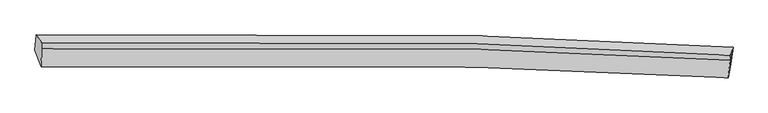
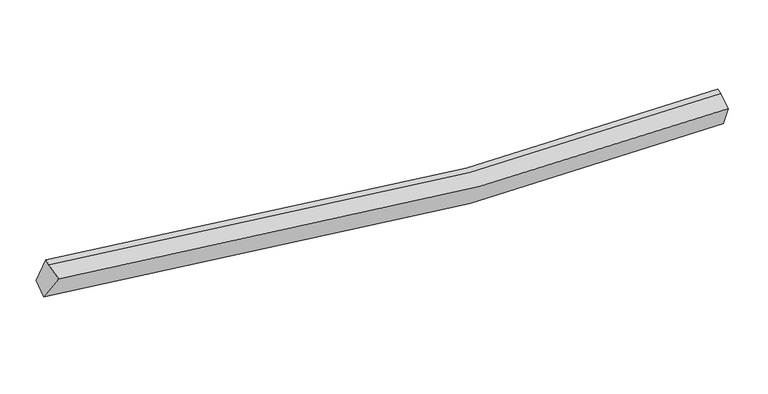
"""IFC4 building model written with IfcOpenShell, lengths in millimetres: proxy geometry."""

from ifc_helpers import new_model, si_unit, frame, origin, place, context, project, spatial, source, transform, mapped, element, save
from ifc_brep_helpers import plane_surface, spline_curve, spline_surface, advanced_brep


def generic_models_79c96d78(model_context):
    return source(origin(), model_context, "Body", "AdvancedBrep", [
        advanced_brep(
        [(-9221.4396227, -1985.7108059, 3427.7266185), (-9189.9753788, -1591.0039121, 3626.5553353), (8494.3625147, -1898.6440569, 2415.4975717), (8433.0636137, -2333.2439233, 2275.3913921), (-9064.2770105, -2396.6824764, 4119.6819635), (8370.0865737, -2679.2684828, 2925.4863161), (-9053.9124676, -1937.0325368, 4226.8478266), (8419.3194224, -2239.8584179, 3060.4326802), (-9048.4652292, -1793.7046245, 4270.7504135), (8424.4035116, -2106.0856997, 3101.4084279)],
        [
            (0, 1),
            (1, 2, spline_curve(3, [(-9189.9753788, -1591.0039121, 3626.5553353), (-5488.879366771, -1499.151177806, 2875.229411913), (-1765.261070588, -1506.727365631, 2437.953183504), (4144.527442009, -1675.535118056, 2243.555043626), (6315.688442605, -1770.505644931, 2277.145351274), (8494.3625147, -1898.6440569, 2415.4975717)], [4, 2, 4], [0.0, 36.92923982401898, 58.258357492953635])),
            (2, 3),
            (3, 0, spline_curve(3, [(8433.0636137, -2333.2439233, 2275.3913921), (6275.418683008, -2185.976306587, 2115.214206053), (4118.920787589, -2077.09761954, 2065.165634887), (-1768.205109369, -1884.561882834, 2229.268283121), (-5496.541626191, -1877.596195912, 2663.428595508), (-9221.4396227, -1985.7108059, 3427.7266185)], [4, 2, 4], [0.0, 21.329117668934657, 58.258357492953635])),
            (4, 0),
            (3, 5),
            (5, 4, spline_curve(3, [(8370.0865737, -2679.2684828, 2925.4863161), (6236.940403776, -2561.525266525, 2793.60416488), (4105.8076886, -2474.263529002, 2763.361761901), (-1709.669211034, -2319.173916036, 2958.376490601), (-5389.991023445, -2312.240317233, 3386.684108973), (-9064.2770105, -2396.6824764, 4119.6819635)], [4, 2, 4], [0.0, 21.17682565239452, 57.842387039762315])),
            (6, 4),
            (5, 7),
            (7, 6, spline_curve(3, [(8419.3194224, -2239.8584179, 3060.4326802), (6271.553426586, -2108.843911699, 2911.264218435), (4129.416771897, -2012.265363097, 2868.823023334), (-1706.239855136, -1842.529076778, 3044.414012211), (-5388.513831015, -1838.165664371, 3475.660257065), (-9053.9124676, -1937.0325368, 4226.8478266)], [4, 2, 4], [0.0, 21.066614440978768, 57.54135610852309])),
            (8, 6),
            (7, 9),
            (9, 8, spline_curve(3, [(8424.4035116, -2106.0856997, 3101.4084279), (6276.611919358, -1975.744690388, 2952.033668477), (4134.475264852, -1879.166142123, 2909.592473163), (-1701.111448592, -1707.590265307, 3085.746944372), (-5383.264374197, -1700.041789605, 3517.968801248), (-9048.4652292, -1793.7046245, 4270.7504135)], [4, 2, 4], [0.0, 21.09188422139514, 57.610377993259064])),
            (1, 8),
            (9, 2),
            (7, 2),
            (3, 7),
        ],
        [
            spline_surface(3, 3, [[(-9221.4396227, -1985.7108059, 3427.7266185), (-5496.541625799, -1877.596196373, 2663.428596115), (-1768.205109403, -1884.561882318, 2229.268282988), (4118.920787608, -2077.097619838, 2065.165634964), (6275.418683298, -2185.976306355, 2115.214205998), (8433.0636137, -2333.2439233, 2275.3913921)], [(-9210.951541395, -1854.141841314, 3494.00285743), (-5493.987539638, -1751.447856798, 2734.028868235), (-1767.223763045, -1758.61704339, 2298.829916502), (4127.45633902, -1943.243452579, 2124.628771148), (6288.841936409, -2047.486085939, 2169.191254435), (8453.496580692, -2188.377301184, 2322.093451972)], [(-9200.463460105, -1722.572876686, 3560.27909637), (-5491.433453493, -1625.29951718, 2804.629140364), (-1766.242416677, -1632.672204495, 2368.391550077), (4135.991890442, -1809.389285353, 2184.091907392), (6302.265189543, -1908.99586547, 2223.168302857), (8473.929547708, -2043.510679016, 2368.795511828)], [(-9189.9753788, -1591.0039121, 3626.5553353), (-5488.879367333, -1499.151177605, 2875.229412484), (-1765.261070319, -1506.727365566, 2437.953183591), (4144.527441854, -1675.535118093, 2243.555043576), (6315.688442653, -1770.505645053, 2277.145351293), (8494.3625147, -1898.6440569, 2415.4975717)]], [4, 4], [4, 2, 4], [0.0, 1.424346292488821], [0.0, 36.92923982401898, 58.258357492953635]),
            spline_surface(3, 3, [[(-9064.2770105, -2396.6824764, 4119.6819635), (-5389.991023332, -2312.240317691, 3386.684108995), (-1709.669210913, -2319.173915705, 2958.376490354), (4105.80768853, -2474.263529193, 2763.361762044), (6236.940404114, -2561.525266676, 2793.60416485), (8370.0865737, -2679.2684828, 2925.4863161)], [(-9116.664547895, -2259.691919551, 3889.030181865), (-5425.507890816, -2167.358943903, 3145.598938067), (-1729.181177092, -2174.303237929, 2715.34042124), (4110.17872154, -2341.874892761, 2530.629719692), (6249.766497173, -2436.342279905, 2567.474178561), (8391.078920364, -2563.926962969, 2708.788008095)], [(-9169.052085305, -2122.701362749, 3658.378400135), (-5461.024758315, -2022.477570161, 2904.513767043), (-1748.693143223, -2029.432560094, 2472.304352101), (4114.549754599, -2209.48625627, 2297.897677315), (6262.59259024, -2311.159293126, 2341.344192288), (8412.071267036, -2448.585443131, 2492.089700105)], [(-9221.4396227, -1985.7108059, 3427.7266185), (-5496.541625799, -1877.596196373, 2663.428596115), (-1768.205109403, -1884.561882318, 2229.268282988), (4118.920787608, -2077.097619838, 2065.165634964), (6275.418683298, -2185.976306355, 2115.214205998), (8433.0636137, -2333.2439233, 2275.3913921)]], [4, 4], [4, 2, 4], [0.0, 2.738613630415649], [0.0, 36.665561387367795, 57.842387039762315]),
            spline_surface(3, 3, [[(-9053.9124676, -1937.0325368, 4226.8478266), (-5388.513830778, -1838.165664227, 3475.660256774), (-1706.239855569, -1842.52907631, 3044.414012472), (4129.416772147, -2012.265363367, 2868.823023184), (6271.553426911, -2108.84391163, 2911.264218722), (8419.3194224, -2239.8584179, 3060.4326802)], [(-9057.367315234, -2090.249183338, 4191.125872208), (-5389.006228296, -1996.19054872, 3446.001540822), (-1707.382974006, -2001.410689431, 3015.734838443), (4121.547077619, -2166.264751965, 2833.669269481), (6260.015752663, -2259.737696625, 2872.044200774), (8402.90847285, -2386.328439512, 3015.450558843)], [(-9060.822162866, -2243.465829862, 4155.403917892), (-5389.498625814, -2154.215433198, 3416.342824946), (-1708.526092475, -2160.292302585, 2987.055664382), (4113.677383059, -2320.264140596, 2798.515515746), (6248.478078363, -2410.631481682, 2832.824182798), (8386.49752325, -2532.798461188, 2970.468437457)], [(-9064.2770105, -2396.6824764, 4119.6819635), (-5389.991023332, -2312.240317691, 3386.684108995), (-1709.669210913, -2319.173915705, 2958.376490354), (4105.80768853, -2474.263529193, 2763.361762044), (6236.940404114, -2561.525266676, 2793.60416485), (8370.0865737, -2679.2684828, 2925.4863161)]], [4, 4], [4, 2, 4], [0.0, 1.5772774598400345], [0.0, 36.47474166754432, 57.54135610852309]),
            spline_surface(3, 3, [[(-9048.4652292, -1793.7046245, 4270.7504135), (-5383.264374031, -1700.041789098, 3517.968801799), (-1701.111448535, -1707.590265843, 3085.746944481), (4134.47526482, -1879.166141814, 2909.5924731), (6276.611919583, -1975.744690077, 2952.033668538), (8424.4035116, -2106.0856997, 3101.4084279)], [(-9050.280975358, -1841.480595281, 4256.116217867), (-5385.014192971, -1746.083080822, 3503.865953458), (-1702.82091756, -1752.569869328, 3071.969300487), (4132.789100582, -1923.532548994, 2896.00265647), (6274.925755345, -2020.111097257, 2938.443851908), (8422.708815186, -2150.676605762, 3087.749845309)], [(-9052.096721442, -1889.256566019, 4241.482022233), (-5386.764011838, -1792.124372503, 3489.763105115), (-1704.530386544, -1797.549472826, 3058.191656465), (4131.102936385, -1967.898956187, 2882.412839813), (6273.239591149, -2064.47750445, 2924.854035351), (8421.014118814, -2195.267511838, 3074.091262791)], [(-9053.9124676, -1937.0325368, 4226.8478266), (-5388.513830778, -1838.165664227, 3475.660256774), (-1706.239855569, -1842.52907631, 3044.414012472), (4129.416772147, -2012.265363367, 2868.823023184), (6271.553426911, -2108.84391163, 2911.264218722), (8419.3194224, -2239.8584179, 3060.4326802)]], [4, 4], [4, 2, 4], [0.0, 0.4627824212541459], [0.0, 36.51849377186392, 57.610377993259064]),
            spline_surface(3, 3, [[(-9189.9753788, -1591.0039121, 3626.5553353), (-5488.879367333, -1499.151177605, 2875.229412484), (-1765.261070319, -1506.727365566, 2437.953183591), (4144.527441854, -1675.535118093, 2243.555043576), (6315.688442653, -1770.505645053, 2277.145351293), (8494.3625147, -1898.6440569, 2415.4975717)], [(-9142.805328919, -1658.570816216, 3841.287028029), (-5453.674369551, -1566.114714751, 3089.475875585), (-1743.877863035, -1573.681665666, 2653.884437213), (4141.176716199, -1743.412126007, 2465.567520076), (6302.662934971, -1838.918660066, 2502.108123723), (8471.042847007, -1967.791271172, 2644.134523782)], [(-9095.635279081, -1726.137720384, 4056.018720771), (-5418.469371813, -1633.078251951, 3303.722338698), (-1722.494655819, -1640.635965744, 2869.815690859), (4137.825990475, -1811.2891339, 2687.5799966), (6289.637427266, -1907.331675064, 2727.070896108), (8447.723179293, -2036.938485428, 2872.771475818)], [(-9048.4652292, -1793.7046245, 4270.7504135), (-5383.264374031, -1700.041789098, 3517.968801799), (-1701.111448535, -1707.590265843, 3085.746944481), (4134.47526482, -1879.166141814, 2909.5924731), (6276.611919583, -1975.744690077, 2952.033668538), (8424.4035116, -2106.0856997, 3101.4084279)]], [4, 4], [4, 2, 4], [0.0, 2.2471077579006615], [0.0, 36.738353767567006, 57.957221911225076]),
            plane_surface(frame((-9115.6139418, -1940.8268711, 3934.3124315), z_axis=(-0.9780697713685653, -0.02612152104187447, 0.20663298012055428), x_axis=(-0.07101318986344789, -0.8908332792513317, -0.4487462483895959))),
            plane_surface(frame((8446.0284829, -2081.5293915, 2859.1128933), z_axis=(0.9946055169362413, -0.06303427052993249, 0.08238049780592227), x_axis=(0.10231035320674953, 0.46519620546730533, -0.8792753164086496))),
            plane_surface(frame((8407.48987, -2417.4569413, 2753.7701295), z_axis=(0.9921547361849251, -0.1209159466929966, 0.03175394937890869), x_axis=(-0.10649687232812917, -0.9504994908708394, -0.291906036317513))),
            plane_surface(frame((8448.9151836, -2157.2487994, 2583.7738813), z_axis=(0.9879514038123745, -0.15070274029136016, 0.03522368200279194), x_axis=(0.01738240458213847, -0.1181055032981383, -0.9928489019491518))),
        ],
        [
            (0, [[1, 2, 3, 4]]),
            (1, [[5, -4, 6, 7]]),
            (2, [[8, -7, 9, 10]]),
            (3, [[11, -10, 12, 13]]),
            (4, [[14, -13, 15, -2]]),
            (5, [[-1, -5, -8, -11, -14]]),
            (6, [[16, -15, -12]]),
            (7, [[-9, -6, 17]]),
            (8, [[-17, -3, -16]]),
        ],
    ),
    ])


if __name__ == "__main__":
    model = new_model("IFC4")
    model_context = context("Model", 3, world=origin())
    ifc_project = project(units=[si_unit("LENGTHUNIT", "METRE", prefix="MILLI")], contexts=[model_context])
    site = spatial("IfcSite", under=ifc_project)
    building = spatial("IfcBuilding", under=site)
    placement = place(None, origin())
    generic_models_shape = generic_models_79c96d78(model_context)
    element("IfcBuildingElementProxy", 1, Name="Generic Models", at=placement, inside=building, context=model_context, shape_type="MappedRepresentation", body=[
        mapped(generic_models_shape, transform((0.0, 0.0, 0.0), x_axis=(1.0, 0.0, 0.0), y_axis=(0.0, 1.0, 0.0), z_axis=(0.0, 0.0, 1.0))),
    ])
    save(model, "model.ifc")
